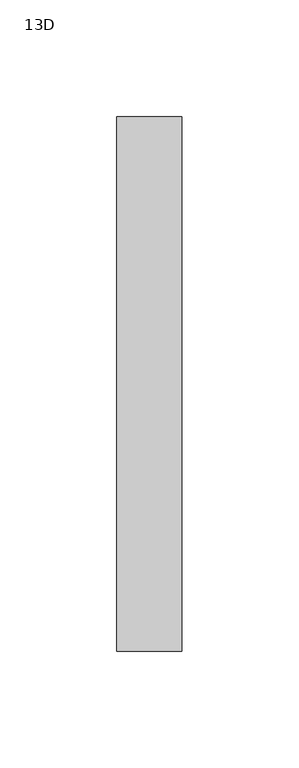
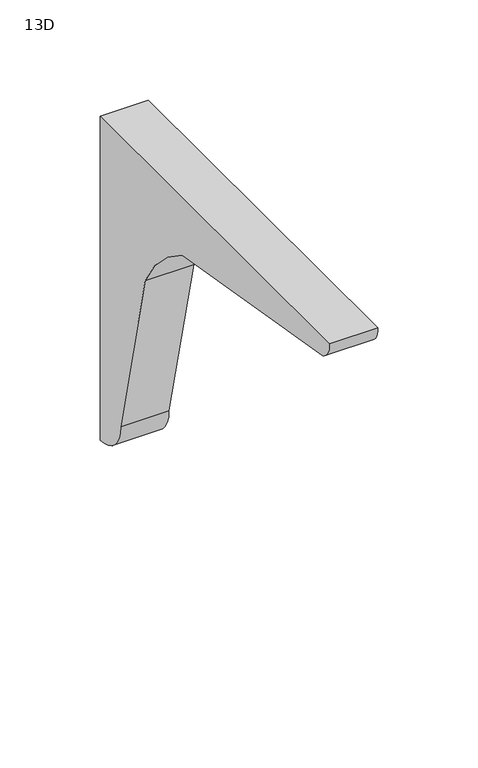
"""IFC4 building model written with IfcOpenShell, lengths in millimetres: furniture geometry, 13D."""

from ifc_helpers import new_model, si_unit, point, frame, frame_2d, origin, place, context, project, spatial, polyline, circle_curve, trimmed, segment, composite_curve, outline, extrude, source, transform, mapped, element, save


def furniture_13d_a34342e9(model_context):
    return source(origin(), model_context, "Body", "SweptSolid", [
        extrude(outline(composite_curve([segment(trimmed(circle_curve(frame_2d((-143.9606717, 852.5430632)), 86.0560025), [point((-66.8363066, 890.7198609))], [point((-103.3820864, 928.4312309))], True, "CARTESIAN"), True, "CONTINUOUS"), segment(polyline([(-103.3820864, 928.4312309), (-243.6532059, 952.5185324)]), True, "CONTINUOUS"), segment(trimmed(circle_curve(frame_2d((-239.3486305, 962.6931611)), 11.0477345), [point((-243.6532059, 952.5185324))], [point((-250.35256, 963.676))], False, "CARTESIAN"), True, "CONTINUOUS"), segment(polyline([(-250.35256, 963.676), (-21.75256, 963.676), (-21.75256, 766.429125)]), True, "CONTINUOUS"), segment(trimmed(circle_curve(frame_2d((-21.75256, 786.8304665)), 20.4013415), [point((-21.75256, 766.429125))], [point((-42.1539008, 786.8250548))], False, "CARTESIAN"), True, "CONTINUOUS"), segment(polyline([(-42.1539008, 786.8250548), (-66.8363066, 890.7198609)]), True, "CONTINUOUS")], self_intersect=False)), frame((4.8493945, 0.0, 0.0), z_axis=(1.0, 0.0, 0.0), x_axis=(0.0, 1.0, 0.0)), (0.0, 0.0, 1.0), 27.78125),
    ])


if __name__ == "__main__":
    model = new_model("IFC4")
    model_context = context("Model", 3, world=origin())
    ifc_project = project(units=[si_unit("LENGTHUNIT", "METRE", prefix="MILLI")], contexts=[model_context])
    site = spatial("IfcSite", under=ifc_project)
    building = spatial("IfcBuilding", under=site)
    placement = place(None, origin())
    furniture_13d_shape = furniture_13d_a34342e9(model_context)
    element("IfcFurniture", 1, ObjectType="13D", at=placement, inside=building, context=model_context, shape_type="MappedRepresentation", body=[
        mapped(furniture_13d_shape, transform((0.0, 0.0, 0.0), x_axis=(1.0, 0.0, 0.0), y_axis=(0.0, 1.0, 0.0), z_axis=(0.0, 0.0, 1.0))),
    ])
    save(model, "model.ifc")
